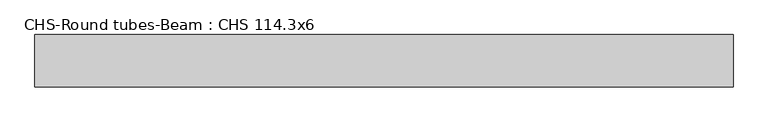
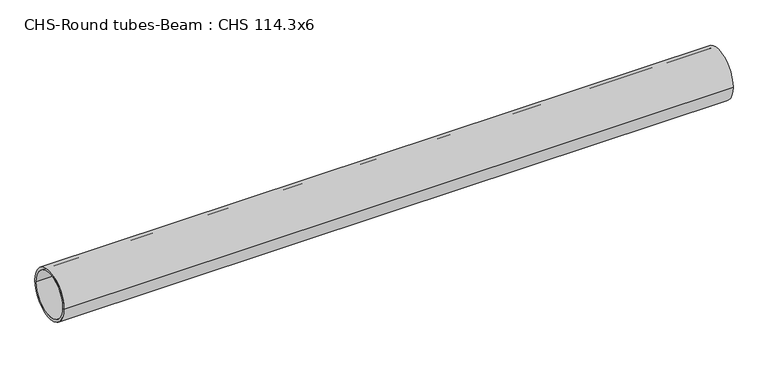
"""IFC4 building model written with IfcOpenShell, lengths in millimetres: beam geometry, CHS-Round tubes-Beam : CHS 114.3x6."""

from ifc_helpers import new_model, si_unit, point, frame, origin, origin_2d, place, context, project, spatial, circle_curve, trimmed, segment, composite_curve, outline, extrude, source, transform, mapped, element, save


def chs_round_tubes_beam_chs_114_3x6_7d30ff3e(model_context):
    return source(origin(), model_context, "Body", "SweptSolid", [
        extrude(outline(composite_curve([segment(trimmed(circle_curve(origin_2d(), 57.15), [point((57.15, 0.0))], [point((-57.15, 0.0))], False, "CARTESIAN"), True, "CONTINUOUS"), segment(trimmed(circle_curve(origin_2d(), 57.15), [point((-57.15, 0.0))], [point((57.15, 0.0))], False, "CARTESIAN"), True, "CONTINUOUS")], self_intersect=False), holes=[composite_curve([segment(trimmed(circle_curve(origin_2d(), 51.15), [point((51.15, 0.0))], [point((-51.15, 0.0))], True, "CARTESIAN"), True, "CONTINUOUS"), segment(trimmed(circle_curve(origin_2d(), 51.15), [point((-51.15, 0.0))], [point((51.15, 0.0))], True, "CARTESIAN"), True, "CONTINUOUS")], self_intersect=False)]), frame((-739.2477032, 0.0, 0.0), z_axis=(1.0, 0.0, 0.0), x_axis=(0.0, 1.0, 0.0)), (0.0, 0.0, 1.0), 1524.7650361),
    ])


if __name__ == "__main__":
    model = new_model("IFC4")
    model_context = context("Model", 3, world=origin())
    ifc_project = project(units=[si_unit("LENGTHUNIT", "METRE", prefix="MILLI")], contexts=[model_context])
    site = spatial("IfcSite", under=ifc_project)
    building = spatial("IfcBuilding", under=site)
    placement = place(None, origin())
    chs_round_tubes_beam_chs_114_3x6_shape = chs_round_tubes_beam_chs_114_3x6_7d30ff3e(model_context)
    element("IfcBeam", 1, ObjectType="CHS-Round tubes-Beam : CHS 114.3x6", at=placement, inside=building, context=model_context, shape_type="MappedRepresentation", body=[
        mapped(chs_round_tubes_beam_chs_114_3x6_shape, transform((0.0, 0.0, 0.0), x_axis=(1.0, 0.0, 0.0), y_axis=(0.0, 1.0, 0.0), z_axis=(0.0, 0.0, 1.0))),
    ])
    save(model, "model.ifc")
